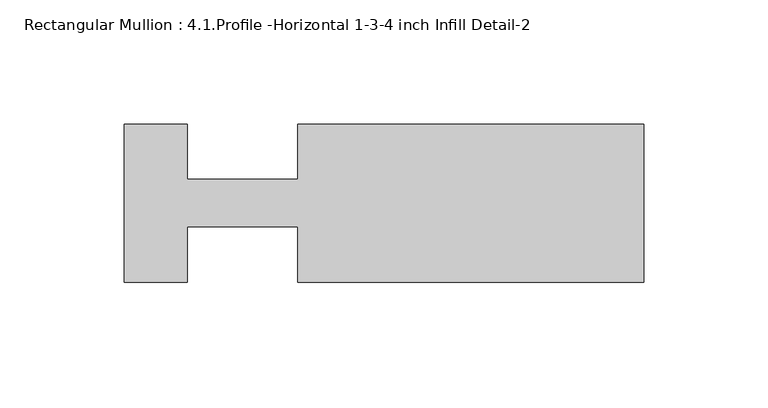
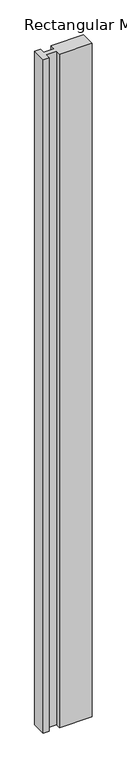
"""IFC4 building model written with IfcOpenShell, lengths in millimetres: member geometry, Rectangular Mullion : 4.1.Profile -Horizontal 1-3-4 inch Infill Detail-2."""

from ifc_helpers import new_model, si_unit, frame, origin, place, context, project, spatial, polyline, outline, extrude, source, transform, mapped, element, save


def rectangular_mullion_4_1_profile_horizontal_1_3_4_inch_infill_07c499bc(model_context):
    return source(origin(), model_context, "Body", "SweptSolid", [
        extrude(outline(polyline([(-209.042, 31.75), (-183.7043696, 31.75), (-183.7043696, 9.5251132), (-139.192, 9.5251132), (-139.192, 31.75), (0.0, 31.75), (0.0, -31.75), (-139.192, -31.75), (-139.192, -9.5250001), (-183.7043696, -9.5250001), (-183.7043696, -31.75), (-209.042, -31.75), (-209.042, 31.75)])), frame((0.0, 0.0, -3048.0), z_axis=(0.0, 0.0, 1.0), x_axis=(1.0, 0.0, 0.0)), (0.0, 0.0, 1.0), 3048.0),
    ])


if __name__ == "__main__":
    model = new_model("IFC4")
    model_context = context("Model", 3, world=origin())
    ifc_project = project(units=[si_unit("LENGTHUNIT", "METRE", prefix="MILLI")], contexts=[model_context])
    site = spatial("IfcSite", under=ifc_project)
    building = spatial("IfcBuilding", under=site)
    placement = place(None, origin())
    rectangular_mullion_4_1_profile_horizontal_1_3_4_inch_infill_shape = rectangular_mullion_4_1_profile_horizontal_1_3_4_inch_infill_07c499bc(model_context)
    element("IfcMember", 1, ObjectType="Rectangular Mullion : 4.1.Profile -Horizontal 1-3-4 inch Infill Detail-2", at=placement, inside=building, context=model_context, shape_type="MappedRepresentation", body=[
        mapped(rectangular_mullion_4_1_profile_horizontal_1_3_4_inch_infill_shape, transform((0.0, 0.0, 0.0), x_axis=(1.0, 0.0, 0.0), y_axis=(0.0, 1.0, 0.0), z_axis=(0.0, 0.0, 1.0))),
    ])
    save(model, "model.ifc")
